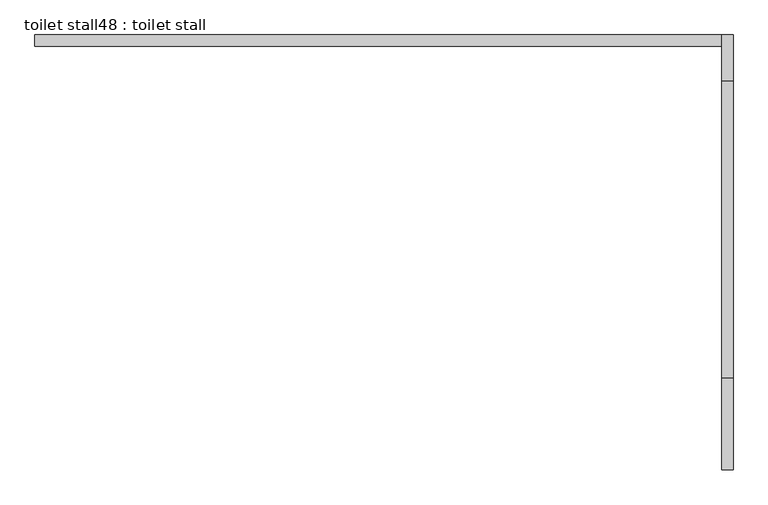
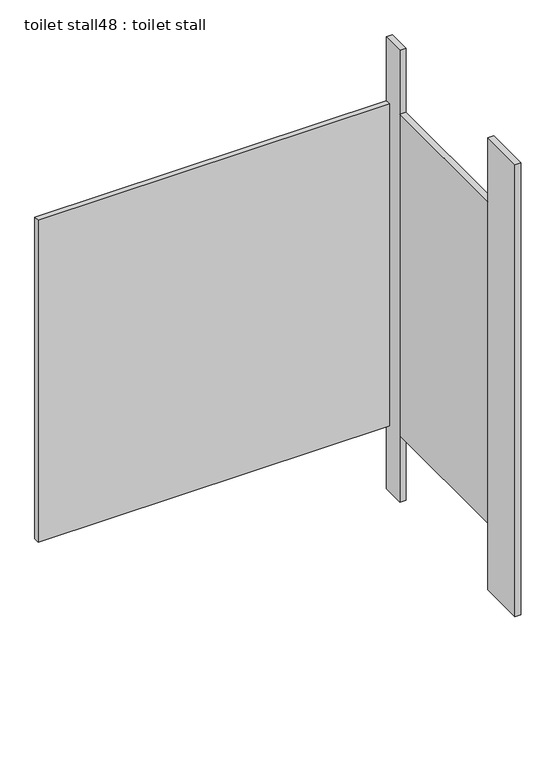
"""IFC4 building model written with IfcOpenShell, lengths in millimetres: proxy geometry, toilet stall48 : toilet stall."""

from ifc_helpers import new_model, si_unit, frame, origin, origin_with_axes, place, context, project, spatial, polyline, outline, extrude, source, transform, mapped, element, save


def toilet_stall48_toilet_stall_0765af91(model_context):
    return source(origin(), model_context, "Body", "SweptSolid", [
        extrude(outline(polyline([(461357.4504676, -270916.2233948), (461382.8504676, -270916.2233948), (461382.8504676, -271119.4233948), (461357.4504676, -271119.4233948), (461357.4504676, -270916.2233948)])), origin_with_axes(), (0.0, 0.0, 1.0), 2070.1),
        extrude(outline(polyline([(461357.4504676, -270154.2233948), (461382.8504676, -270154.2233948), (461382.8504676, -270255.8233948), (461357.4504676, -270255.8233948), (461357.4504676, -270154.2233948)])), origin_with_axes(), (0.0, 0.0, 1.0), 2070.1),
        extrude(outline(polyline([(461357.4504676, -270154.2233948), (461357.4504676, -270179.6233948), (459833.4504676, -270179.6233948), (459833.4504676, -270154.2233948), (461357.4504676, -270154.2233948)])), frame((0.0, 0.0, 304.8), z_axis=(0.0, 0.0, 1.0), x_axis=(1.0, 0.0, 0.0)), (0.0, 0.0, 1.0), 1473.2),
        extrude(outline(polyline([(461357.4504676, -270255.8233948), (461382.8504676, -270255.8233948), (461382.8504676, -270916.2233948), (461357.4504676, -270916.2233948), (461357.4504676, -270255.8233948)])), frame((0.0, 0.0, 304.8), z_axis=(0.0, 0.0, 1.0), x_axis=(1.0, 0.0, 0.0)), (0.0, 0.0, 1.0), 1473.2),
    ])


if __name__ == "__main__":
    model = new_model("IFC4")
    model_context = context("Model", 3, world=origin())
    ifc_project = project(units=[si_unit("LENGTHUNIT", "METRE", prefix="MILLI")], contexts=[model_context])
    site = spatial("IfcSite", under=ifc_project)
    building = spatial("IfcBuilding", under=site)
    placement = place(None, origin())
    toilet_stall48_toilet_stall_shape = toilet_stall48_toilet_stall_0765af91(model_context)
    element("IfcBuildingElementProxy", 1, Name="toilet stall48 : toilet stall", ObjectType="toilet stall48 : toilet stall", at=placement, inside=building, context=model_context, shape_type="MappedRepresentation", body=[
        mapped(toilet_stall48_toilet_stall_shape, transform((0.0, 0.0, 0.0), x_axis=(1.0, 0.0, 0.0), y_axis=(0.0, 1.0, 0.0), z_axis=(0.0, 0.0, 1.0))),
    ])
    save(model, "model.ifc")
